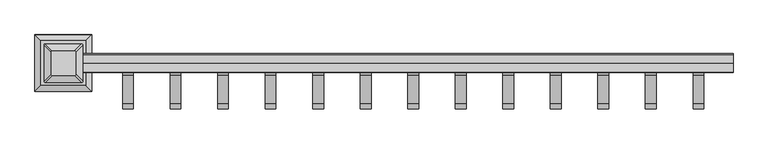
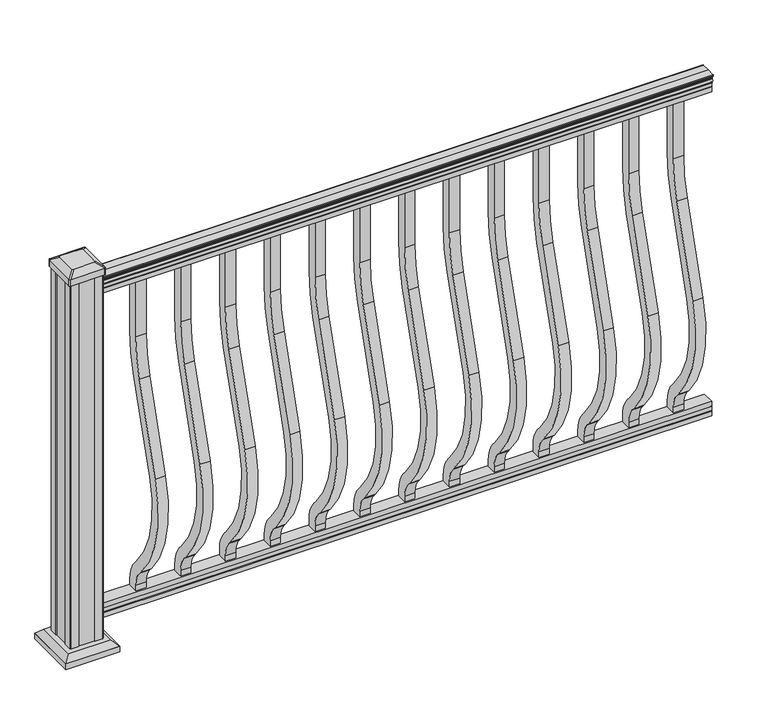
"""IFC4 building model written with IfcOpenShell, lengths in millimetres: railing geometry."""

from ifc_helpers import new_model, si_unit, point, frame, frame_2d, origin, origin_with_axes, place, context, project, spatial, polyline, circle_curve, trimmed, segment, composite_curve, outline, extrude, faceted_brep, source, transform, mapped, element, save
from ifc_brep_helpers import plane_surface, cylinder_surface, revolved_surface, extruded_surface, advanced_brep


def railing_35c34c0d(model_context):
    return source(origin(), model_context, "Body", "SolidModel", [
        advanced_brep(
        [(18368.0238122, -47460.9992427, 938.4043297), (18368.0238122, -47458.425414, 938.4043297), (18368.0238122, -47458.425414, 927.747013), (18368.0238122, -47459.441414, 926.731013), (18368.0238122, -47459.441414, 914.4), (18368.0238122, -47427.691414, 914.4), (18368.0238122, -47427.691414, 926.8888283), (18368.0238122, -47428.707414, 927.9048283), (18368.0238122, -47428.707414, 938.4043297), (18368.0238122, -47426.1335853, 938.4043297), (18368.0238122, -47426.1335853, 940.292412), (18368.0238122, -47425.003399, 941.8546695), (18368.0238122, -47425.003399, 949.0726458), (18368.0238122, -47425.6526554, 951.5060812), (18368.0238122, -47423.1526554, 955.8362083), (18368.0238122, -47421.7433129, 957.5157972), (18368.0238122, -47421.3414139, 958.6205318), (18368.0238122, -47421.341414, 959.9608158), (18368.0238122, -47422.8948612, 961.514263), (18368.0238122, -47443.566414, 961.514263), (18368.0238122, -47464.2379668, 961.514263), (18368.0238122, -47465.791414, 959.9608158), (18368.0238122, -47465.791414, 958.6205318), (18368.0238122, -47465.3895151, 957.5157972), (18368.0238122, -47463.9801726, 955.8362083), (18368.0238122, -47461.4801726, 951.5060812), (18368.0238122, -47462.129429, 949.0726458), (18368.0238122, -47462.129429, 941.8546695), (18368.0238122, -47460.9992427, 940.292412), (16844.0238122, -47460.9992427, 938.4043297), (16844.0238122, -47460.9992427, 940.292412), (16844.0238122, -47462.129429, 941.8546695), (16844.0238122, -47462.129429, 949.0726458), (16844.0238122, -47461.4801726, 951.5060812), (16844.0238122, -47463.9801726, 955.8362083), (16844.0238122, -47465.3895151, 957.5157972), (16844.0238122, -47465.7914141, 958.6205318), (16844.0238122, -47465.791414, 959.9608158), (16844.0238122, -47464.2379668, 961.514263), (16844.0238122, -47443.566414, 961.514263), (16844.0238122, -47422.8948612, 961.514263), (16844.0238122, -47421.341414, 959.9608158), (16844.0238122, -47421.341414, 958.6205318), (16844.0238122, -47421.7433129, 957.5157972), (16844.0238122, -47423.1526554, 955.8362083), (16844.0238122, -47425.6526554, 951.5060812), (16844.0238122, -47425.003399, 949.0726458), (16844.0238122, -47425.003399, 941.8546695), (16844.0238122, -47426.1335853, 940.292412), (16844.0238122, -47426.1335853, 938.4043297), (16844.0238122, -47428.707414, 938.4043297), (16844.0238122, -47428.707414, 927.9048283), (16844.0238122, -47427.691414, 926.8888283), (16844.0238122, -47427.691414, 914.4), (16844.0238122, -47459.441414, 914.4), (16844.0238122, -47459.441414, 926.731013), (16844.0238122, -47458.425414, 927.747013), (16844.0238122, -47458.425414, 938.4043297)],
        [
            (0, 1, circle_curve(frame((18368.0238122, -47459.7123284, 938.4043297), z_axis=(1.0, 0.0, 0.0), x_axis=(0.0, 1.0, 0.0)), 1.2869144)),
            (1, 2),
            (2, 3),
            (3, 4),
            (4, 5),
            (5, 6),
            (6, 7),
            (7, 8),
            (8, 9, circle_curve(frame((18368.0238122, -47427.4204996, 938.4043297), z_axis=(1.0, 0.0, 0.0), x_axis=(0.0, -1.0, 0.0)), 1.2869144)),
            (9, 10),
            (10, 11, circle_curve(frame((18368.0238122, -47432.4483386, 946.0506383), z_axis=(1.0, 0.0, 0.0), x_axis=(0.0, -1.0, 0.0)), 8.545951)),
            (11, 12, circle_curve(frame((18368.0238122, -47432.0112756, 945.4636577), z_axis=(1.0, 0.0, 0.0), x_axis=(0.0, -1.0, 0.0)), 7.882584)),
            (12, 13, circle_curve(frame((18368.0238122, -47421.4979515, 951.3112527), z_axis=(-1.0, 0.0, 0.0), x_axis=(0.0, -1.0, 0.0)), 4.1592695)),
            (13, 14, circle_curve(frame((18368.0238122, -47420.2106449, 951.2508864), z_axis=(-1.0, 0.0, 0.0), x_axis=(0.0, -1.0, 0.0)), 5.4479907)),
            (14, 15, circle_curve(frame((18368.0238122, -47421.4438033, 955.833395), z_axis=(-1.0, 0.0, 0.0), x_axis=(0.0, -1.0, 0.0)), 1.7088543)),
            (15, 16, circle_curve(frame((18368.0238122, -47423.0607034, 958.6205318), z_axis=(1.0, 0.0, 0.0), x_axis=(0.0, -1.0, 0.0)), 1.7192895)),
            (16, 17),
            (17, 18, circle_curve(frame((18368.0238122, -47422.8948612, 959.9608158), z_axis=(1.0, 0.0, 0.0), x_axis=(0.0, -1.0, 0.0)), 1.5534472)),
            (18, 19),
            (19, 20),
            (20, 21, circle_curve(frame((18368.0238122, -47464.2379668, 959.9608158), z_axis=(1.0, 0.0, 0.0), x_axis=(0.0, 1.0, 0.0)), 1.5534472)),
            (21, 22),
            (22, 23, circle_curve(frame((18368.0238122, -47464.0721246, 958.6205318), z_axis=(1.0, 0.0, 0.0), x_axis=(0.0, 1.0, 0.0)), 1.7192895)),
            (23, 24, circle_curve(frame((18368.0238122, -47465.6890247, 955.833395), z_axis=(-1.0, 0.0, 0.0), x_axis=(0.0, 1.0, 0.0)), 1.7088543)),
            (24, 25, circle_curve(frame((18368.0238122, -47466.9221831, 951.2508864), z_axis=(-1.0, 0.0, 0.0), x_axis=(0.0, 1.0, 0.0)), 5.4479907)),
            (25, 26, circle_curve(frame((18368.0238122, -47465.6348766, 951.3112527), z_axis=(-1.0, 0.0, 0.0), x_axis=(0.0, 1.0, 0.0)), 4.1592695)),
            (26, 27, circle_curve(frame((18368.0238122, -47455.1215524, 945.4636577), z_axis=(1.0, 0.0, 0.0), x_axis=(0.0, 1.0, 0.0)), 7.882584)),
            (27, 28, circle_curve(frame((18368.0238122, -47454.6844895, 946.0506383), z_axis=(1.0, 0.0, 0.0), x_axis=(0.0, 1.0, 0.0)), 8.545951)),
            (28, 0),
            (29, 30),
            (30, 31, circle_curve(frame((16844.0238122, -47454.6844895, 946.0506383), z_axis=(-1.0, 0.0, 0.0), x_axis=(0.0, 1.0, 0.0)), 8.545951)),
            (31, 32, circle_curve(frame((16844.0238122, -47455.1215524, 945.4636577), z_axis=(-1.0, 0.0, 0.0), x_axis=(0.0, 1.0, 0.0)), 7.882584)),
            (32, 33, circle_curve(frame((16844.0238122, -47465.6348766, 951.3112527), z_axis=(1.0, 0.0, 0.0), x_axis=(0.0, 1.0, 0.0)), 4.1592695)),
            (33, 34, circle_curve(frame((16844.0238122, -47466.9221831, 951.2508864), z_axis=(1.0, 0.0, 0.0), x_axis=(0.0, 1.0, 0.0)), 5.4479907)),
            (34, 35, circle_curve(frame((16844.0238122, -47465.6890247, 955.833395), z_axis=(1.0, 0.0, 0.0), x_axis=(0.0, 1.0, 0.0)), 1.7088543)),
            (35, 36, circle_curve(frame((16844.0238122, -47464.0721246, 958.6205318), z_axis=(-1.0, 0.0, 0.0), x_axis=(0.0, 1.0, 0.0)), 1.7192895)),
            (36, 37),
            (37, 38, circle_curve(frame((16844.0238122, -47464.2379668, 959.9608158), z_axis=(-1.0, 0.0, 0.0), x_axis=(0.0, 1.0, 0.0)), 1.5534472)),
            (38, 39),
            (39, 40),
            (40, 41, circle_curve(frame((16844.0238122, -47422.8948612, 959.9608158), z_axis=(-1.0, 0.0, 0.0), x_axis=(0.0, -1.0, 0.0)), 1.5534472)),
            (41, 42),
            (42, 43, circle_curve(frame((16844.0238122, -47423.0607034, 958.6205318), z_axis=(-1.0, 0.0, 0.0), x_axis=(0.0, -1.0, 0.0)), 1.7192895)),
            (43, 44, circle_curve(frame((16844.0238122, -47421.4438033, 955.833395), z_axis=(1.0, 0.0, 0.0), x_axis=(0.0, -1.0, 0.0)), 1.7088543)),
            (44, 45, circle_curve(frame((16844.0238122, -47420.2106449, 951.2508864), z_axis=(1.0, 0.0, 0.0), x_axis=(0.0, -1.0, 0.0)), 5.4479907)),
            (45, 46, circle_curve(frame((16844.0238122, -47421.4979515, 951.3112527), z_axis=(1.0, 0.0, 0.0), x_axis=(0.0, -1.0, 0.0)), 4.1592695)),
            (46, 47, circle_curve(frame((16844.0238122, -47432.0112756, 945.4636577), z_axis=(-1.0, 0.0, 0.0), x_axis=(0.0, -1.0, 0.0)), 7.882584)),
            (47, 48, circle_curve(frame((16844.0238122, -47432.4483386, 946.0506383), z_axis=(-1.0, 0.0, 0.0), x_axis=(0.0, -1.0, 0.0)), 8.545951)),
            (48, 49),
            (49, 50, circle_curve(frame((16844.0238122, -47427.4204996, 938.4043297), z_axis=(-1.0, 0.0, 0.0), x_axis=(0.0, -1.0, 0.0)), 1.2869144)),
            (50, 51),
            (51, 52),
            (52, 53),
            (53, 54),
            (54, 55),
            (55, 56),
            (56, 57),
            (57, 29, circle_curve(frame((16844.0238122, -47459.7123284, 938.4043297), z_axis=(-1.0, 0.0, 0.0), x_axis=(0.0, 1.0, 0.0)), 1.2869144)),
            (0, 29),
            (57, 1),
            (56, 2),
            (55, 3),
            (54, 4),
            (53, 5),
            (52, 6),
            (51, 7),
            (50, 8),
            (49, 9),
            (48, 10),
            (47, 11),
            (46, 12),
            (45, 13),
            (44, 14),
            (43, 15),
            (42, 16),
            (41, 17),
            (40, 18),
            (39, 19),
            (38, 20),
            (37, 21),
            (36, 22),
            (35, 23),
            (34, 24),
            (33, 25),
            (32, 26),
            (31, 27),
            (30, 28),
        ],
        [
            plane_surface(frame((18368.0238122, -47443.566414, 914.4), z_axis=(1.0, 0.0, 0.0), x_axis=(0.0, -1.0, 0.0))),
            plane_surface(frame((16844.0238122, -47443.566414, 914.4), z_axis=(-1.0, 0.0, 0.0), x_axis=(0.0, -1.0, 0.0))),
            cylinder_surface(frame((18368.0238122, -47459.7123284, 938.4043297), z_axis=(1.0, 0.0, 0.0), x_axis=(0.0, 1.0, 0.0)), 1.2869144),
            plane_surface(frame((18368.0238122, -47458.425414, 938.4043297), z_axis=(0.0, -1.0, 0.0), x_axis=(-1.0, 0.0, 0.0))),
            plane_surface(frame((18368.0238122, -47458.425414, 927.747013), z_axis=(0.0, -0.7071067811865395, 0.7071067811865556), x_axis=(-1.0, 0.0, 0.0))),
            plane_surface(frame((18368.0238122, -47459.441414, 926.731013), z_axis=(0.0, -1.0, 0.0), x_axis=(-1.0, 0.0, 0.0))),
            plane_surface(frame((18368.0238122, -47459.441414, 914.4), z_axis=(0.0, 0.0, -1.0), x_axis=(-1.0, 0.0, 0.0))),
            plane_surface(frame((18368.0238122, -47427.691414, 914.4), z_axis=(0.0, 1.0, 0.0), x_axis=(-1.0, 0.0, 0.0))),
            plane_surface(frame((18368.0238122, -47427.691414, 926.8888283), z_axis=(0.0, 0.7071067811865432, 0.707106781186552), x_axis=(-1.0, 0.0, 0.0))),
            plane_surface(frame((18368.0238122, -47428.707414, 927.9048283), z_axis=(0.0, 1.0, 0.0), x_axis=(-1.0, 0.0, 0.0))),
            cylinder_surface(frame((18368.0238122, -47427.4204996, 938.4043297), z_axis=(1.0, 0.0, 0.0), x_axis=(0.0, -1.0, 0.0)), 1.2869144),
            plane_surface(frame((18368.0238122, -47426.1335853, 938.4043297), z_axis=(0.0, 1.0, 0.0), x_axis=(-1.0, 0.0, 0.0))),
            cylinder_surface(frame((18368.0238122, -47432.4483386, 946.0506383), z_axis=(1.0, 0.0, 0.0), x_axis=(0.0, -1.0, 0.0)), 8.545951),
            cylinder_surface(frame((18368.0238122, -47432.0112756, 945.4636577), z_axis=(1.0, 0.0, 0.0), x_axis=(0.0, -1.0, 0.0)), 7.882584),
            revolved_surface(polyline([(16844.0238122, -47425.657221, 951.3112527), (18368.0238122, -47425.657221, 951.3112527)]), (18368.0238122, -47421.4979515, 951.3112527), (-1.0, 0.0, 0.0)),
            revolved_surface(polyline([(16844.0238122, -47425.6586356, 951.2508864), (18368.0238122, -47425.6586356, 951.2508864)]), (18368.0238122, -47420.2106449, 951.2508864), (-1.0, 0.0, 0.0)),
            revolved_surface(polyline([(16844.0238122, -47423.152657599996, 955.833395), (18368.0238122, -47423.152657599996, 955.833395)]), (18368.0238122, -47421.4438033, 955.833395), (-1.0, 0.0, 0.0)),
            cylinder_surface(frame((18368.0238122, -47423.0607034, 958.6205318), z_axis=(1.0, 0.0, 0.0), x_axis=(0.0, -1.0, 0.0)), 1.7192895),
            plane_surface(frame((18368.0238122, -47421.341414, 958.6205318), z_axis=(0.0, 1.0, 0.0), x_axis=(-1.0, 0.0, 0.0))),
            cylinder_surface(frame((18368.0238122, -47422.8948612, 959.9608158), z_axis=(1.0, 0.0, 0.0), x_axis=(0.0, -1.0, 0.0)), 1.5534472),
            plane_surface(frame((18368.0238122, -47422.8948612, 961.514263), z_axis=(0.0, 0.0, 1.0), x_axis=(-1.0, 0.0, 0.0))),
            plane_surface(frame((18368.0238122, -47443.566414, 961.514263), z_axis=(0.0, 0.0, 1.0), x_axis=(-1.0, 0.0, 0.0))),
            cylinder_surface(frame((18368.0238122, -47464.2379668, 959.9608158), z_axis=(1.0, 0.0, 0.0), x_axis=(0.0, 1.0, 0.0)), 1.5534472),
            plane_surface(frame((18368.0238122, -47465.791414, 959.9608158), z_axis=(0.0, -1.0, 0.0), x_axis=(-1.0, 0.0, 0.0))),
            cylinder_surface(frame((18368.0238122, -47464.0721246, 958.6205318), z_axis=(1.0, 0.0, 0.0), x_axis=(0.0, 1.0, 0.0)), 1.7192895),
            revolved_surface(polyline([(16844.0238122, -47463.9801704, 955.833395), (18368.0238122, -47463.9801704, 955.833395)]), (18368.0238122, -47465.6890247, 955.833395), (-1.0, 0.0, 0.0)),
            revolved_surface(polyline([(16844.0238122, -47461.474192400005, 951.2508864), (18368.0238122, -47461.474192400005, 951.2508864)]), (18368.0238122, -47466.9221831, 951.2508864), (-1.0, 0.0, 0.0)),
            revolved_surface(polyline([(16844.0238122, -47461.4756071, 951.3112527), (18368.0238122, -47461.4756071, 951.3112527)]), (18368.0238122, -47465.6348766, 951.3112527), (-1.0, 0.0, 0.0)),
            cylinder_surface(frame((18368.0238122, -47455.1215524, 945.4636577), z_axis=(1.0, 0.0, 0.0), x_axis=(0.0, 1.0, 0.0)), 7.882584),
            cylinder_surface(frame((18368.0238122, -47454.6844895, 946.0506383), z_axis=(1.0, 0.0, 0.0), x_axis=(0.0, 1.0, 0.0)), 8.545951),
            plane_surface(frame((18368.0238122, -47460.9992427, 940.292412), z_axis=(0.0, -1.0, 0.0), x_axis=(-1.0, 0.0, 0.0))),
        ],
        [
            (0, [[1, 2, 3, 4, 5, 6, 7, 8, 9, 10, 11, 12, 13, 14, 15, 16, 17, 18, 19, 20, 21, 22, 23, 24, 25, 26, 27, 28, 29]]),
            (1, [[30, 31, 32, 33, 34, 35, 36, 37, 38, 39, 40, 41, 42, 43, 44, 45, 46, 47, 48, 49, 50, 51, 52, 53, 54, 55, 56, 57, 58]]),
            (2, [[-1, 59, -58, 60]]),
            (3, [[-2, -60, -57, 61]]),
            (4, [[-3, -61, -56, 62]]),
            (5, [[-4, -62, -55, 63]]),
            (6, [[-5, -63, -54, 64]]),
            (7, [[-6, -64, -53, 65]]),
            (8, [[-7, -65, -52, 66]]),
            (9, [[-8, -66, -51, 67]]),
            (10, [[-9, -67, -50, 68]]),
            (11, [[-10, -68, -49, 69]]),
            (12, [[-11, -69, -48, 70]]),
            (13, [[-12, -70, -47, 71]]),
            (14, [[-13, -71, -46, 72]]),
            (15, [[-14, -72, -45, 73]]),
            (16, [[-15, -73, -44, 74]]),
            (17, [[-16, -74, -43, 75]]),
            (18, [[-17, -75, -42, 76]]),
            (19, [[-18, -76, -41, 77]]),
            (20, [[-19, -77, -40, 78]]),
            (21, [[-20, -78, -39, 79]]),
            (22, [[-21, -79, -38, 80]]),
            (23, [[-22, -80, -37, 81]]),
            (24, [[-23, -81, -36, 82]]),
            (25, [[-24, -82, -35, 83]]),
            (26, [[-25, -83, -34, 84]]),
            (27, [[-26, -84, -33, 85]]),
            (28, [[-27, -85, -32, 86]]),
            (29, [[-28, -86, -31, 87]]),
            (30, [[-29, -87, -30, -59]]),
        ],
    ),
        faceted_brep([(18368.0238122, -47459.4789009, 76.0541976), (18368.0238122, -47459.4789009, 63.5), (18368.0238122, -47427.7289009, 63.5), (18368.0238122, -47427.7289009, 76.0375508), (18368.0238122, -47428.7449009, 77.3858283), (18368.0238122, -47428.7449009, 87.6975248), (18368.0238122, -47427.7289009, 89.0458024), (18368.0238122, -47427.7289009, 101.5958781), (18368.0238122, -47459.4789009, 101.5958781), (18368.0238122, -47459.4789009, 89.0624492), (18368.0238122, -47458.4629009, 87.7141717), (18368.0238122, -47458.4629009, 77.3546183), (16844.0238122, -47459.4789009, 76.0541976), (16844.0238122, -47458.4629009, 77.3546183), (16844.0238122, -47458.4629009, 87.7141717), (16844.0238122, -47459.4789009, 89.0624492), (16844.0238122, -47459.4789009, 101.5958781), (16844.0238122, -47427.7289009, 101.5958781), (16844.0238122, -47427.7289009, 89.0458024), (16844.0238122, -47428.7449009, 87.6975248), (16844.0238122, -47428.7449009, 77.3858283), (16844.0238122, -47427.7289009, 76.0375508), (16844.0238122, -47427.7289009, 63.5), (16844.0238122, -47459.4789009, 63.5)], [[[0, 1, 2, 3, 4, 5, 6, 7, 8, 9, 10, 11]], [[12, 13, 14, 15, 16, 17, 18, 19, 20, 21, 22, 23]], [[1, 0, 12, 23]], [[2, 1, 23, 22]], [[3, 2, 22, 21]], [[4, 3, 21, 20]], [[5, 4, 20, 19]], [[6, 5, 19, 18]], [[7, 6, 18, 17]], [[8, 7, 17, 16]], [[9, 8, 16, 15]], [[10, 9, 15, 14]], [[11, 10, 14, 13]], [[0, 11, 13, 12]]]),
        extrude(outline(composite_curve([segment(trimmed(circle_curve(frame_2d((-47803.566414, 768.63216)), 372.7), [point((-47430.866414, 768.63216))], [point((-47447.1516315, 659.6652257))], False, "CARTESIAN"), True, "CONTINUOUS"), segment(polyline([(-47447.1516315, 659.6652257), (-47514.9789093, 437.8121964)]), True, "CONTINUOUS"), segment(trimmed(circle_curve(frame_2d((-47259.358648, 359.6612397)), 267.3), [point((-47514.9789093, 437.8121964))], [point((-47458.6736709, 181.5522516))], True, "CARTESIAN"), True, "CONTINUOUS"), segment(polyline([(-47458.6736709, 181.5522516), (-47453.1719976, 175.3955374)]), True, "CONTINUOUS"), segment(trimmed(circle_curve(frame_2d((-47518.566414, 116.9587313)), 87.7), [point((-47453.1719976, 175.3955374))], [point((-47430.866414, 116.9587313))], False, "CARTESIAN"), True, "CONTINUOUS"), segment(polyline([(-47430.866414, 116.9587313), (-47430.866414, 101.5958781), (-47456.266414, 101.5958781), (-47456.266414, 116.9587313)]), True, "CONTINUOUS"), segment(trimmed(circle_curve(frame_2d((-47518.566414, 116.9587313)), 62.3), [point((-47456.266414, 116.9587313))], [point((-47472.1117716, 158.4708524))], True, "CARTESIAN"), True, "CONTINUOUS"), segment(polyline([(-47472.1117716, 158.4708524), (-47477.6134448, 164.6275666)]), True, "CONTINUOUS"), segment(trimmed(circle_curve(frame_2d((-47259.358648, 359.6612397)), 292.7), [point((-47477.6134448, 164.6275666))], [point((-47539.2690501, 445.2384377))], False, "CARTESIAN"), True, "CONTINUOUS"), segment(polyline([(-47539.2690501, 445.2384377), (-47471.4417723, 667.091467)]), True, "CONTINUOUS"), segment(trimmed(circle_curve(frame_2d((-47803.566414, 768.63216)), 347.3), [point((-47471.4417723, 667.091467))], [point((-47456.266414, 768.63216))], True, "CARTESIAN"), True, "CONTINUOUS"), segment(polyline([(-47456.266414, 768.63216), (-47456.266414, 914.4), (-47430.866414, 914.4), (-47430.866414, 768.63216)]), True, "CONTINUOUS")], self_intersect=False)), frame((16940.8613122, 0.0, 0.0), z_axis=(1.0, 0.0, 0.0), x_axis=(0.0, 1.0, 0.0)), (0.0, 0.0, 1.0), 25.4),
        extrude(outline(composite_curve([segment(trimmed(circle_curve(frame_2d((-47803.566414, 768.63216)), 372.7), [point((-47430.866414, 768.63216))], [point((-47447.1516315, 659.6652257))], False, "CARTESIAN"), True, "CONTINUOUS"), segment(polyline([(-47447.1516315, 659.6652257), (-47514.9789093, 437.8121964)]), True, "CONTINUOUS"), segment(trimmed(circle_curve(frame_2d((-47259.358648, 359.6612397)), 267.3), [point((-47514.9789093, 437.8121964))], [point((-47458.6736709, 181.5522516))], True, "CARTESIAN"), True, "CONTINUOUS"), segment(polyline([(-47458.6736709, 181.5522516), (-47453.1719976, 175.3955374)]), True, "CONTINUOUS"), segment(trimmed(circle_curve(frame_2d((-47518.566414, 116.9587313)), 87.7), [point((-47453.1719976, 175.3955374))], [point((-47430.866414, 116.9587313))], False, "CARTESIAN"), True, "CONTINUOUS"), segment(polyline([(-47430.866414, 116.9587313), (-47430.866414, 101.5958781), (-47456.266414, 101.5958781), (-47456.266414, 116.9587313)]), True, "CONTINUOUS"), segment(trimmed(circle_curve(frame_2d((-47518.566414, 116.9587313)), 62.3), [point((-47456.266414, 116.9587313))], [point((-47472.1117716, 158.4708524))], True, "CARTESIAN"), True, "CONTINUOUS"), segment(polyline([(-47472.1117716, 158.4708524), (-47477.6134448, 164.6275666)]), True, "CONTINUOUS"), segment(trimmed(circle_curve(frame_2d((-47259.358648, 359.6612397)), 292.7), [point((-47477.6134448, 164.6275666))], [point((-47539.2690501, 445.2384377))], False, "CARTESIAN"), True, "CONTINUOUS"), segment(polyline([(-47539.2690501, 445.2384377), (-47471.4417723, 667.091467)]), True, "CONTINUOUS"), segment(trimmed(circle_curve(frame_2d((-47803.566414, 768.63216)), 347.3), [point((-47471.4417723, 667.091467))], [point((-47456.266414, 768.63216))], True, "CARTESIAN"), True, "CONTINUOUS"), segment(polyline([(-47456.266414, 768.63216), (-47456.266414, 914.4), (-47430.866414, 914.4), (-47430.866414, 768.63216)]), True, "CONTINUOUS")], self_intersect=False)), frame((17051.9863122, 0.0, 0.0), z_axis=(1.0, 0.0, 0.0), x_axis=(0.0, 1.0, 0.0)), (0.0, 0.0, 1.0), 25.4),
        extrude(outline(composite_curve([segment(trimmed(circle_curve(frame_2d((-47803.566414, 768.63216)), 372.7), [point((-47430.866414, 768.63216))], [point((-47447.1516315, 659.6652257))], False, "CARTESIAN"), True, "CONTINUOUS"), segment(polyline([(-47447.1516315, 659.6652257), (-47514.9789093, 437.8121964)]), True, "CONTINUOUS"), segment(trimmed(circle_curve(frame_2d((-47259.358648, 359.6612397)), 267.3), [point((-47514.9789093, 437.8121964))], [point((-47458.6736709, 181.5522516))], True, "CARTESIAN"), True, "CONTINUOUS"), segment(polyline([(-47458.6736709, 181.5522516), (-47453.1719976, 175.3955374)]), True, "CONTINUOUS"), segment(trimmed(circle_curve(frame_2d((-47518.566414, 116.9587313)), 87.7), [point((-47453.1719976, 175.3955374))], [point((-47430.866414, 116.9587313))], False, "CARTESIAN"), True, "CONTINUOUS"), segment(polyline([(-47430.866414, 116.9587313), (-47430.866414, 101.5958781), (-47456.266414, 101.5958781), (-47456.266414, 116.9587313)]), True, "CONTINUOUS"), segment(trimmed(circle_curve(frame_2d((-47518.566414, 116.9587313)), 62.3), [point((-47456.266414, 116.9587313))], [point((-47472.1117716, 158.4708524))], True, "CARTESIAN"), True, "CONTINUOUS"), segment(polyline([(-47472.1117716, 158.4708524), (-47477.6134448, 164.6275666)]), True, "CONTINUOUS"), segment(trimmed(circle_curve(frame_2d((-47259.358648, 359.6612397)), 292.7), [point((-47477.6134448, 164.6275666))], [point((-47539.2690501, 445.2384377))], False, "CARTESIAN"), True, "CONTINUOUS"), segment(polyline([(-47539.2690501, 445.2384377), (-47471.4417723, 667.091467)]), True, "CONTINUOUS"), segment(trimmed(circle_curve(frame_2d((-47803.566414, 768.63216)), 347.3), [point((-47471.4417723, 667.091467))], [point((-47456.266414, 768.63216))], True, "CARTESIAN"), True, "CONTINUOUS"), segment(polyline([(-47456.266414, 768.63216), (-47456.266414, 914.4), (-47430.866414, 914.4), (-47430.866414, 768.63216)]), True, "CONTINUOUS")], self_intersect=False)), frame((17163.1113122, 0.0, 0.0), z_axis=(1.0, 0.0, 0.0), x_axis=(0.0, 1.0, 0.0)), (0.0, 0.0, 1.0), 25.4),
        extrude(outline(composite_curve([segment(trimmed(circle_curve(frame_2d((-47803.566414, 768.63216)), 372.7), [point((-47430.866414, 768.63216))], [point((-47447.1516315, 659.6652257))], False, "CARTESIAN"), True, "CONTINUOUS"), segment(polyline([(-47447.1516315, 659.6652257), (-47514.9789093, 437.8121964)]), True, "CONTINUOUS"), segment(trimmed(circle_curve(frame_2d((-47259.358648, 359.6612397)), 267.3), [point((-47514.9789093, 437.8121964))], [point((-47458.6736709, 181.5522516))], True, "CARTESIAN"), True, "CONTINUOUS"), segment(polyline([(-47458.6736709, 181.5522516), (-47453.1719976, 175.3955374)]), True, "CONTINUOUS"), segment(trimmed(circle_curve(frame_2d((-47518.566414, 116.9587313)), 87.7), [point((-47453.1719976, 175.3955374))], [point((-47430.866414, 116.9587313))], False, "CARTESIAN"), True, "CONTINUOUS"), segment(polyline([(-47430.866414, 116.9587313), (-47430.866414, 101.5958781), (-47456.266414, 101.5958781), (-47456.266414, 116.9587313)]), True, "CONTINUOUS"), segment(trimmed(circle_curve(frame_2d((-47518.566414, 116.9587313)), 62.3), [point((-47456.266414, 116.9587313))], [point((-47472.1117716, 158.4708524))], True, "CARTESIAN"), True, "CONTINUOUS"), segment(polyline([(-47472.1117716, 158.4708524), (-47477.6134448, 164.6275666)]), True, "CONTINUOUS"), segment(trimmed(circle_curve(frame_2d((-47259.358648, 359.6612397)), 292.7), [point((-47477.6134448, 164.6275666))], [point((-47539.2690501, 445.2384377))], False, "CARTESIAN"), True, "CONTINUOUS"), segment(polyline([(-47539.2690501, 445.2384377), (-47471.4417723, 667.091467)]), True, "CONTINUOUS"), segment(trimmed(circle_curve(frame_2d((-47803.566414, 768.63216)), 347.3), [point((-47471.4417723, 667.091467))], [point((-47456.266414, 768.63216))], True, "CARTESIAN"), True, "CONTINUOUS"), segment(polyline([(-47456.266414, 768.63216), (-47456.266414, 914.4), (-47430.866414, 914.4), (-47430.866414, 768.63216)]), True, "CONTINUOUS")], self_intersect=False)), frame((17274.2363122, 0.0, 0.0), z_axis=(1.0, 0.0, 0.0), x_axis=(0.0, 1.0, 0.0)), (0.0, 0.0, 1.0), 25.4),
        extrude(outline(composite_curve([segment(trimmed(circle_curve(frame_2d((-47803.566414, 768.63216)), 372.7), [point((-47430.866414, 768.63216))], [point((-47447.1516315, 659.6652257))], False, "CARTESIAN"), True, "CONTINUOUS"), segment(polyline([(-47447.1516315, 659.6652257), (-47514.9789093, 437.8121964)]), True, "CONTINUOUS"), segment(trimmed(circle_curve(frame_2d((-47259.358648, 359.6612397)), 267.3), [point((-47514.9789093, 437.8121964))], [point((-47458.6736709, 181.5522516))], True, "CARTESIAN"), True, "CONTINUOUS"), segment(polyline([(-47458.6736709, 181.5522516), (-47453.1719976, 175.3955374)]), True, "CONTINUOUS"), segment(trimmed(circle_curve(frame_2d((-47518.566414, 116.9587313)), 87.7), [point((-47453.1719976, 175.3955374))], [point((-47430.866414, 116.9587313))], False, "CARTESIAN"), True, "CONTINUOUS"), segment(polyline([(-47430.866414, 116.9587313), (-47430.866414, 101.5958781), (-47456.266414, 101.5958781), (-47456.266414, 116.9587313)]), True, "CONTINUOUS"), segment(trimmed(circle_curve(frame_2d((-47518.566414, 116.9587313)), 62.3), [point((-47456.266414, 116.9587313))], [point((-47472.1117716, 158.4708524))], True, "CARTESIAN"), True, "CONTINUOUS"), segment(polyline([(-47472.1117716, 158.4708524), (-47477.6134448, 164.6275666)]), True, "CONTINUOUS"), segment(trimmed(circle_curve(frame_2d((-47259.358648, 359.6612397)), 292.7), [point((-47477.6134448, 164.6275666))], [point((-47539.2690501, 445.2384377))], False, "CARTESIAN"), True, "CONTINUOUS"), segment(polyline([(-47539.2690501, 445.2384377), (-47471.4417723, 667.091467)]), True, "CONTINUOUS"), segment(trimmed(circle_curve(frame_2d((-47803.566414, 768.63216)), 347.3), [point((-47471.4417723, 667.091467))], [point((-47456.266414, 768.63216))], True, "CARTESIAN"), True, "CONTINUOUS"), segment(polyline([(-47456.266414, 768.63216), (-47456.266414, 914.4), (-47430.866414, 914.4), (-47430.866414, 768.63216)]), True, "CONTINUOUS")], self_intersect=False)), frame((17385.3613122, 0.0, 0.0), z_axis=(1.0, 0.0, 0.0), x_axis=(0.0, 1.0, 0.0)), (0.0, 0.0, 1.0), 25.4),
        extrude(outline(composite_curve([segment(trimmed(circle_curve(frame_2d((-47803.566414, 768.63216)), 372.7), [point((-47430.866414, 768.63216))], [point((-47447.1516315, 659.6652257))], False, "CARTESIAN"), True, "CONTINUOUS"), segment(polyline([(-47447.1516315, 659.6652257), (-47514.9789093, 437.8121964)]), True, "CONTINUOUS"), segment(trimmed(circle_curve(frame_2d((-47259.358648, 359.6612397)), 267.3), [point((-47514.9789093, 437.8121964))], [point((-47458.6736709, 181.5522516))], True, "CARTESIAN"), True, "CONTINUOUS"), segment(polyline([(-47458.6736709, 181.5522516), (-47453.1719976, 175.3955374)]), True, "CONTINUOUS"), segment(trimmed(circle_curve(frame_2d((-47518.566414, 116.9587313)), 87.7), [point((-47453.1719976, 175.3955374))], [point((-47430.866414, 116.9587313))], False, "CARTESIAN"), True, "CONTINUOUS"), segment(polyline([(-47430.866414, 116.9587313), (-47430.866414, 101.5958781), (-47456.266414, 101.5958781), (-47456.266414, 116.9587313)]), True, "CONTINUOUS"), segment(trimmed(circle_curve(frame_2d((-47518.566414, 116.9587313)), 62.3), [point((-47456.266414, 116.9587313))], [point((-47472.1117716, 158.4708524))], True, "CARTESIAN"), True, "CONTINUOUS"), segment(polyline([(-47472.1117716, 158.4708524), (-47477.6134448, 164.6275666)]), True, "CONTINUOUS"), segment(trimmed(circle_curve(frame_2d((-47259.358648, 359.6612397)), 292.7), [point((-47477.6134448, 164.6275666))], [point((-47539.2690501, 445.2384377))], False, "CARTESIAN"), True, "CONTINUOUS"), segment(polyline([(-47539.2690501, 445.2384377), (-47471.4417723, 667.091467)]), True, "CONTINUOUS"), segment(trimmed(circle_curve(frame_2d((-47803.566414, 768.63216)), 347.3), [point((-47471.4417723, 667.091467))], [point((-47456.266414, 768.63216))], True, "CARTESIAN"), True, "CONTINUOUS"), segment(polyline([(-47456.266414, 768.63216), (-47456.266414, 914.4), (-47430.866414, 914.4), (-47430.866414, 768.63216)]), True, "CONTINUOUS")], self_intersect=False)), frame((17496.4863122, 0.0, 0.0), z_axis=(1.0, 0.0, 0.0), x_axis=(0.0, 1.0, 0.0)), (0.0, 0.0, 1.0), 25.4),
        extrude(outline(composite_curve([segment(trimmed(circle_curve(frame_2d((-47803.566414, 768.63216)), 372.7), [point((-47430.866414, 768.63216))], [point((-47447.1516315, 659.6652257))], False, "CARTESIAN"), True, "CONTINUOUS"), segment(polyline([(-47447.1516315, 659.6652257), (-47514.9789093, 437.8121964)]), True, "CONTINUOUS"), segment(trimmed(circle_curve(frame_2d((-47259.358648, 359.6612397)), 267.3), [point((-47514.9789093, 437.8121964))], [point((-47458.6736709, 181.5522516))], True, "CARTESIAN"), True, "CONTINUOUS"), segment(polyline([(-47458.6736709, 181.5522516), (-47453.1719976, 175.3955374)]), True, "CONTINUOUS"), segment(trimmed(circle_curve(frame_2d((-47518.566414, 116.9587313)), 87.7), [point((-47453.1719976, 175.3955374))], [point((-47430.866414, 116.9587313))], False, "CARTESIAN"), True, "CONTINUOUS"), segment(polyline([(-47430.866414, 116.9587313), (-47430.866414, 101.5958781), (-47456.266414, 101.5958781), (-47456.266414, 116.9587313)]), True, "CONTINUOUS"), segment(trimmed(circle_curve(frame_2d((-47518.566414, 116.9587313)), 62.3), [point((-47456.266414, 116.9587313))], [point((-47472.1117716, 158.4708524))], True, "CARTESIAN"), True, "CONTINUOUS"), segment(polyline([(-47472.1117716, 158.4708524), (-47477.6134448, 164.6275666)]), True, "CONTINUOUS"), segment(trimmed(circle_curve(frame_2d((-47259.358648, 359.6612397)), 292.7), [point((-47477.6134448, 164.6275666))], [point((-47539.2690501, 445.2384377))], False, "CARTESIAN"), True, "CONTINUOUS"), segment(polyline([(-47539.2690501, 445.2384377), (-47471.4417723, 667.091467)]), True, "CONTINUOUS"), segment(trimmed(circle_curve(frame_2d((-47803.566414, 768.63216)), 347.3), [point((-47471.4417723, 667.091467))], [point((-47456.266414, 768.63216))], True, "CARTESIAN"), True, "CONTINUOUS"), segment(polyline([(-47456.266414, 768.63216), (-47456.266414, 914.4), (-47430.866414, 914.4), (-47430.866414, 768.63216)]), True, "CONTINUOUS")], self_intersect=False)), frame((17607.6113122, 0.0, 0.0), z_axis=(1.0, 0.0, 0.0), x_axis=(0.0, 1.0, 0.0)), (0.0, 0.0, 1.0), 25.4),
        extrude(outline(composite_curve([segment(trimmed(circle_curve(frame_2d((-47803.566414, 768.63216)), 372.7), [point((-47430.866414, 768.63216))], [point((-47447.1516315, 659.6652257))], False, "CARTESIAN"), True, "CONTINUOUS"), segment(polyline([(-47447.1516315, 659.6652257), (-47514.9789093, 437.8121964)]), True, "CONTINUOUS"), segment(trimmed(circle_curve(frame_2d((-47259.358648, 359.6612397)), 267.3), [point((-47514.9789093, 437.8121964))], [point((-47458.6736709, 181.5522516))], True, "CARTESIAN"), True, "CONTINUOUS"), segment(polyline([(-47458.6736709, 181.5522516), (-47453.1719976, 175.3955374)]), True, "CONTINUOUS"), segment(trimmed(circle_curve(frame_2d((-47518.566414, 116.9587313)), 87.7), [point((-47453.1719976, 175.3955374))], [point((-47430.866414, 116.9587313))], False, "CARTESIAN"), True, "CONTINUOUS"), segment(polyline([(-47430.866414, 116.9587313), (-47430.866414, 101.5958781), (-47456.266414, 101.5958781), (-47456.266414, 116.9587313)]), True, "CONTINUOUS"), segment(trimmed(circle_curve(frame_2d((-47518.566414, 116.9587313)), 62.3), [point((-47456.266414, 116.9587313))], [point((-47472.1117716, 158.4708524))], True, "CARTESIAN"), True, "CONTINUOUS"), segment(polyline([(-47472.1117716, 158.4708524), (-47477.6134448, 164.6275666)]), True, "CONTINUOUS"), segment(trimmed(circle_curve(frame_2d((-47259.358648, 359.6612397)), 292.7), [point((-47477.6134448, 164.6275666))], [point((-47539.2690501, 445.2384377))], False, "CARTESIAN"), True, "CONTINUOUS"), segment(polyline([(-47539.2690501, 445.2384377), (-47471.4417723, 667.091467)]), True, "CONTINUOUS"), segment(trimmed(circle_curve(frame_2d((-47803.566414, 768.63216)), 347.3), [point((-47471.4417723, 667.091467))], [point((-47456.266414, 768.63216))], True, "CARTESIAN"), True, "CONTINUOUS"), segment(polyline([(-47456.266414, 768.63216), (-47456.266414, 914.4), (-47430.866414, 914.4), (-47430.866414, 768.63216)]), True, "CONTINUOUS")], self_intersect=False)), frame((17718.7363122, 0.0, 0.0), z_axis=(1.0, 0.0, 0.0), x_axis=(0.0, 1.0, 0.0)), (0.0, 0.0, 1.0), 25.4),
        extrude(outline(composite_curve([segment(trimmed(circle_curve(frame_2d((-47803.566414, 768.63216)), 372.7), [point((-47430.866414, 768.63216))], [point((-47447.1516315, 659.6652257))], False, "CARTESIAN"), True, "CONTINUOUS"), segment(polyline([(-47447.1516315, 659.6652257), (-47514.9789093, 437.8121964)]), True, "CONTINUOUS"), segment(trimmed(circle_curve(frame_2d((-47259.358648, 359.6612397)), 267.3), [point((-47514.9789093, 437.8121964))], [point((-47458.6736709, 181.5522516))], True, "CARTESIAN"), True, "CONTINUOUS"), segment(polyline([(-47458.6736709, 181.5522516), (-47453.1719976, 175.3955374)]), True, "CONTINUOUS"), segment(trimmed(circle_curve(frame_2d((-47518.566414, 116.9587313)), 87.7), [point((-47453.1719976, 175.3955374))], [point((-47430.866414, 116.9587313))], False, "CARTESIAN"), True, "CONTINUOUS"), segment(polyline([(-47430.866414, 116.9587313), (-47430.866414, 101.5958781), (-47456.266414, 101.5958781), (-47456.266414, 116.9587313)]), True, "CONTINUOUS"), segment(trimmed(circle_curve(frame_2d((-47518.566414, 116.9587313)), 62.3), [point((-47456.266414, 116.9587313))], [point((-47472.1117716, 158.4708524))], True, "CARTESIAN"), True, "CONTINUOUS"), segment(polyline([(-47472.1117716, 158.4708524), (-47477.6134448, 164.6275666)]), True, "CONTINUOUS"), segment(trimmed(circle_curve(frame_2d((-47259.358648, 359.6612397)), 292.7), [point((-47477.6134448, 164.6275666))], [point((-47539.2690501, 445.2384377))], False, "CARTESIAN"), True, "CONTINUOUS"), segment(polyline([(-47539.2690501, 445.2384377), (-47471.4417723, 667.091467)]), True, "CONTINUOUS"), segment(trimmed(circle_curve(frame_2d((-47803.566414, 768.63216)), 347.3), [point((-47471.4417723, 667.091467))], [point((-47456.266414, 768.63216))], True, "CARTESIAN"), True, "CONTINUOUS"), segment(polyline([(-47456.266414, 768.63216), (-47456.266414, 914.4), (-47430.866414, 914.4), (-47430.866414, 768.63216)]), True, "CONTINUOUS")], self_intersect=False)), frame((17829.8613122, 0.0, 0.0), z_axis=(1.0, 0.0, 0.0), x_axis=(0.0, 1.0, 0.0)), (0.0, 0.0, 1.0), 25.4),
        extrude(outline(composite_curve([segment(trimmed(circle_curve(frame_2d((-47803.566414, 768.63216)), 372.7), [point((-47430.866414, 768.63216))], [point((-47447.1516315, 659.6652257))], False, "CARTESIAN"), True, "CONTINUOUS"), segment(polyline([(-47447.1516315, 659.6652257), (-47514.9789093, 437.8121964)]), True, "CONTINUOUS"), segment(trimmed(circle_curve(frame_2d((-47259.358648, 359.6612397)), 267.3), [point((-47514.9789093, 437.8121964))], [point((-47458.6736709, 181.5522516))], True, "CARTESIAN"), True, "CONTINUOUS"), segment(polyline([(-47458.6736709, 181.5522516), (-47453.1719976, 175.3955374)]), True, "CONTINUOUS"), segment(trimmed(circle_curve(frame_2d((-47518.566414, 116.9587313)), 87.7), [point((-47453.1719976, 175.3955374))], [point((-47430.866414, 116.9587313))], False, "CARTESIAN"), True, "CONTINUOUS"), segment(polyline([(-47430.866414, 116.9587313), (-47430.866414, 101.5958781), (-47456.266414, 101.5958781), (-47456.266414, 116.9587313)]), True, "CONTINUOUS"), segment(trimmed(circle_curve(frame_2d((-47518.566414, 116.9587313)), 62.3), [point((-47456.266414, 116.9587313))], [point((-47472.1117716, 158.4708524))], True, "CARTESIAN"), True, "CONTINUOUS"), segment(polyline([(-47472.1117716, 158.4708524), (-47477.6134448, 164.6275666)]), True, "CONTINUOUS"), segment(trimmed(circle_curve(frame_2d((-47259.358648, 359.6612397)), 292.7), [point((-47477.6134448, 164.6275666))], [point((-47539.2690501, 445.2384377))], False, "CARTESIAN"), True, "CONTINUOUS"), segment(polyline([(-47539.2690501, 445.2384377), (-47471.4417723, 667.091467)]), True, "CONTINUOUS"), segment(trimmed(circle_curve(frame_2d((-47803.566414, 768.63216)), 347.3), [point((-47471.4417723, 667.091467))], [point((-47456.266414, 768.63216))], True, "CARTESIAN"), True, "CONTINUOUS"), segment(polyline([(-47456.266414, 768.63216), (-47456.266414, 914.4), (-47430.866414, 914.4), (-47430.866414, 768.63216)]), True, "CONTINUOUS")], self_intersect=False)), frame((17940.9863122, 0.0, 0.0), z_axis=(1.0, 0.0, 0.0), x_axis=(0.0, 1.0, 0.0)), (0.0, 0.0, 1.0), 25.4),
        extrude(outline(composite_curve([segment(trimmed(circle_curve(frame_2d((-47803.566414, 768.63216)), 372.7), [point((-47430.866414, 768.63216))], [point((-47447.1516315, 659.6652257))], False, "CARTESIAN"), True, "CONTINUOUS"), segment(polyline([(-47447.1516315, 659.6652257), (-47514.9789093, 437.8121964)]), True, "CONTINUOUS"), segment(trimmed(circle_curve(frame_2d((-47259.358648, 359.6612397)), 267.3), [point((-47514.9789093, 437.8121964))], [point((-47458.6736709, 181.5522516))], True, "CARTESIAN"), True, "CONTINUOUS"), segment(polyline([(-47458.6736709, 181.5522516), (-47453.1719976, 175.3955374)]), True, "CONTINUOUS"), segment(trimmed(circle_curve(frame_2d((-47518.566414, 116.9587313)), 87.7), [point((-47453.1719976, 175.3955374))], [point((-47430.866414, 116.9587313))], False, "CARTESIAN"), True, "CONTINUOUS"), segment(polyline([(-47430.866414, 116.9587313), (-47430.866414, 101.5958781), (-47456.266414, 101.5958781), (-47456.266414, 116.9587313)]), True, "CONTINUOUS"), segment(trimmed(circle_curve(frame_2d((-47518.566414, 116.9587313)), 62.3), [point((-47456.266414, 116.9587313))], [point((-47472.1117716, 158.4708524))], True, "CARTESIAN"), True, "CONTINUOUS"), segment(polyline([(-47472.1117716, 158.4708524), (-47477.6134448, 164.6275666)]), True, "CONTINUOUS"), segment(trimmed(circle_curve(frame_2d((-47259.358648, 359.6612397)), 292.7), [point((-47477.6134448, 164.6275666))], [point((-47539.2690501, 445.2384377))], False, "CARTESIAN"), True, "CONTINUOUS"), segment(polyline([(-47539.2690501, 445.2384377), (-47471.4417723, 667.091467)]), True, "CONTINUOUS"), segment(trimmed(circle_curve(frame_2d((-47803.566414, 768.63216)), 347.3), [point((-47471.4417723, 667.091467))], [point((-47456.266414, 768.63216))], True, "CARTESIAN"), True, "CONTINUOUS"), segment(polyline([(-47456.266414, 768.63216), (-47456.266414, 914.4), (-47430.866414, 914.4), (-47430.866414, 768.63216)]), True, "CONTINUOUS")], self_intersect=False)), frame((18052.1113122, 0.0, 0.0), z_axis=(1.0, 0.0, 0.0), x_axis=(0.0, 1.0, 0.0)), (0.0, 0.0, 1.0), 25.4),
        extrude(outline(composite_curve([segment(trimmed(circle_curve(frame_2d((-47803.566414, 768.63216)), 372.7), [point((-47430.866414, 768.63216))], [point((-47447.1516315, 659.6652257))], False, "CARTESIAN"), True, "CONTINUOUS"), segment(polyline([(-47447.1516315, 659.6652257), (-47514.9789093, 437.8121964)]), True, "CONTINUOUS"), segment(trimmed(circle_curve(frame_2d((-47259.358648, 359.6612397)), 267.3), [point((-47514.9789093, 437.8121964))], [point((-47458.6736709, 181.5522516))], True, "CARTESIAN"), True, "CONTINUOUS"), segment(polyline([(-47458.6736709, 181.5522516), (-47453.1719976, 175.3955374)]), True, "CONTINUOUS"), segment(trimmed(circle_curve(frame_2d((-47518.566414, 116.9587313)), 87.7), [point((-47453.1719976, 175.3955374))], [point((-47430.866414, 116.9587313))], False, "CARTESIAN"), True, "CONTINUOUS"), segment(polyline([(-47430.866414, 116.9587313), (-47430.866414, 101.5958781), (-47456.266414, 101.5958781), (-47456.266414, 116.9587313)]), True, "CONTINUOUS"), segment(trimmed(circle_curve(frame_2d((-47518.566414, 116.9587313)), 62.3), [point((-47456.266414, 116.9587313))], [point((-47472.1117716, 158.4708524))], True, "CARTESIAN"), True, "CONTINUOUS"), segment(polyline([(-47472.1117716, 158.4708524), (-47477.6134448, 164.6275666)]), True, "CONTINUOUS"), segment(trimmed(circle_curve(frame_2d((-47259.358648, 359.6612397)), 292.7), [point((-47477.6134448, 164.6275666))], [point((-47539.2690501, 445.2384377))], False, "CARTESIAN"), True, "CONTINUOUS"), segment(polyline([(-47539.2690501, 445.2384377), (-47471.4417723, 667.091467)]), True, "CONTINUOUS"), segment(trimmed(circle_curve(frame_2d((-47803.566414, 768.63216)), 347.3), [point((-47471.4417723, 667.091467))], [point((-47456.266414, 768.63216))], True, "CARTESIAN"), True, "CONTINUOUS"), segment(polyline([(-47456.266414, 768.63216), (-47456.266414, 914.4), (-47430.866414, 914.4), (-47430.866414, 768.63216)]), True, "CONTINUOUS")], self_intersect=False)), frame((18163.2363122, 0.0, 0.0), z_axis=(1.0, 0.0, 0.0), x_axis=(0.0, 1.0, 0.0)), (0.0, 0.0, 1.0), 25.4),
        extrude(outline(composite_curve([segment(trimmed(circle_curve(frame_2d((-47803.566414, 768.63216)), 372.7), [point((-47430.866414, 768.63216))], [point((-47447.1516315, 659.6652257))], False, "CARTESIAN"), True, "CONTINUOUS"), segment(polyline([(-47447.1516315, 659.6652257), (-47514.9789093, 437.8121964)]), True, "CONTINUOUS"), segment(trimmed(circle_curve(frame_2d((-47259.358648, 359.6612397)), 267.3), [point((-47514.9789093, 437.8121964))], [point((-47458.6736709, 181.5522516))], True, "CARTESIAN"), True, "CONTINUOUS"), segment(polyline([(-47458.6736709, 181.5522516), (-47453.1719976, 175.3955374)]), True, "CONTINUOUS"), segment(trimmed(circle_curve(frame_2d((-47518.566414, 116.9587313)), 87.7), [point((-47453.1719976, 175.3955374))], [point((-47430.866414, 116.9587313))], False, "CARTESIAN"), True, "CONTINUOUS"), segment(polyline([(-47430.866414, 116.9587313), (-47430.866414, 101.5958781), (-47456.266414, 101.5958781), (-47456.266414, 116.9587313)]), True, "CONTINUOUS"), segment(trimmed(circle_curve(frame_2d((-47518.566414, 116.9587313)), 62.3), [point((-47456.266414, 116.9587313))], [point((-47472.1117716, 158.4708524))], True, "CARTESIAN"), True, "CONTINUOUS"), segment(polyline([(-47472.1117716, 158.4708524), (-47477.6134448, 164.6275666)]), True, "CONTINUOUS"), segment(trimmed(circle_curve(frame_2d((-47259.358648, 359.6612397)), 292.7), [point((-47477.6134448, 164.6275666))], [point((-47539.2690501, 445.2384377))], False, "CARTESIAN"), True, "CONTINUOUS"), segment(polyline([(-47539.2690501, 445.2384377), (-47471.4417723, 667.091467)]), True, "CONTINUOUS"), segment(trimmed(circle_curve(frame_2d((-47803.566414, 768.63216)), 347.3), [point((-47471.4417723, 667.091467))], [point((-47456.266414, 768.63216))], True, "CARTESIAN"), True, "CONTINUOUS"), segment(polyline([(-47456.266414, 768.63216), (-47456.266414, 914.4), (-47430.866414, 914.4), (-47430.866414, 768.63216)]), True, "CONTINUOUS")], self_intersect=False)), frame((18274.3613122, 0.0, 0.0), z_axis=(1.0, 0.0, 0.0), x_axis=(0.0, 1.0, 0.0)), (0.0, 0.0, 1.0), 25.4),
        faceted_brep([(16855.3347497, -47496.1523515, 28.575), (16855.3347497, -47390.9804765, 28.575), (16750.1628747, -47390.9804765, 28.575), (16750.1628747, -47496.1523515, 28.575), (16869.3742028, -47510.1918046, 15.24), (16736.1234216, -47510.1918046, 15.24), (16736.1234216, -47376.9410234, 15.24), (16869.3742028, -47376.9410234, 15.24)], [[[0, 1, 2, 3]], [[4, 5, 6, 7]], [[4, 7, 1, 0]], [[7, 6, 2, 1]], [[6, 5, 3, 2]], [[5, 4, 0, 3]]]),
        extrude(outline(polyline([(16869.3742028, -47510.1918046), (16736.1234216, -47510.1918046), (16736.1234216, -47376.9410234), (16869.3742028, -47376.9410234), (16869.3742028, -47510.1918046)])), origin_with_axes(), (0.0, 0.0, 1.0), 15.24),
        advanced_brep(
        [(16831.7206872, -47417.769539, 1012.825), (16828.5456872, -47414.594539, 1012.825), (16776.9519372, -47414.594539, 1012.825), (16773.7769372, -47417.769539, 1012.825), (16773.7769372, -47469.363289, 1012.825), (16776.9519372, -47472.538289, 1012.825), (16828.5456872, -47472.538289, 1012.825), (16831.7206872, -47469.363289, 1012.825), (16847.9925622, -47401.497664, 1001.522), (16847.9925622, -47485.635164, 1001.522), (16844.8175622, -47488.810164, 1001.522), (16760.6800622, -47488.810164, 1001.522), (16757.5050622, -47485.635164, 1001.522), (16757.5050622, -47401.497664, 1001.522), (16760.6800622, -47398.322664, 1001.522), (16844.8175622, -47398.322664, 1001.522)],
        [
            (0, 1, circle_curve(frame((16828.5456872, -47417.769539, 1012.825), z_axis=(0.0, 0.0, 1.0), x_axis=(-1.0, 0.0, 0.0)), 3.175)),
            (1, 2),
            (2, 3, circle_curve(frame((16776.9519372, -47417.769539, 1012.825), z_axis=(0.0, 0.0, 1.0), x_axis=(-1.0, 0.0, 0.0)), 3.175)),
            (3, 4),
            (4, 5, circle_curve(frame((16776.9519372, -47469.363289, 1012.825), z_axis=(0.0, 0.0, 1.0), x_axis=(-1.0, 0.0, 0.0)), 3.175)),
            (5, 6),
            (6, 7, circle_curve(frame((16828.5456872, -47469.363289, 1012.825), z_axis=(0.0, 0.0, 1.0), x_axis=(-1.0, 0.0, 0.0)), 3.175)),
            (7, 0),
            (8, 9),
            (9, 10, circle_curve(frame((16844.8175622, -47485.635164, 1001.522), z_axis=(0.0, 0.0, -1.0), x_axis=(-1.0, 0.0, 0.0)), 3.175)),
            (10, 11),
            (11, 12, circle_curve(frame((16760.6800622, -47485.635164, 1001.522), z_axis=(0.0, 0.0, -1.0), x_axis=(-1.0, 0.0, 0.0)), 3.175)),
            (12, 13),
            (13, 14, circle_curve(frame((16760.6800622, -47401.497664, 1001.522), z_axis=(0.0, 0.0, -1.0), x_axis=(-1.0, 0.0, 0.0)), 3.175)),
            (14, 15),
            (15, 8, circle_curve(frame((16844.8175622, -47401.497664, 1001.522), z_axis=(0.0, 0.0, -1.0), x_axis=(-1.0, 0.0, 0.0)), 3.175)),
            (15, 1),
            (0, 8),
            (14, 2),
            (13, 3),
            (12, 4),
            (11, 5),
            (10, 6),
            (9, 7),
        ],
        [
            plane_surface(frame((16802.7488122, -47443.566414, 1012.825), z_axis=(0.0, 0.0, 1.0), x_axis=(0.0, 1.0, 0.0))),
            plane_surface(frame((16802.7488122, -47443.566414, 1001.522), z_axis=(0.0, 0.0, -1.0), x_axis=(0.0, 1.0, 0.0))),
            extruded_surface(trimmed(circle_curve(frame((16844.8175622, -47401.497664, 1001.522), z_axis=(0.0, 0.0, 1.0), x_axis=(-1.0, 0.0, 0.0)), 3.175), [point((16847.9925622, -47401.497664, 1001.522))], [point((16844.8175622, -47398.322664, 1001.522))], True, "CARTESIAN"), (-16.271875000002183, -16.271874999998545, 11.302999999999997), 25.63797263886662),
            plane_surface(frame((16802.7488122, -47398.322664, 1001.522), z_axis=(0.0, 0.5705009161540779, 0.8212969649690408), x_axis=(-1.0, 0.0, 0.0))),
            extruded_surface(trimmed(circle_curve(frame((16760.6800622, -47401.497664, 1001.522), z_axis=(0.0, 0.0, 1.0), x_axis=(-1.0, 0.0, 0.0)), 3.175), [point((16760.6800622, -47398.322664, 1001.522))], [point((16757.5050622, -47401.497664, 1001.522))], True, "CARTESIAN"), (16.271874999998545, -16.271874999998545, 11.302999999999997), 25.637972638864316),
            plane_surface(frame((16757.5050622, -47443.566414, 1001.522), z_axis=(-0.5705009161540291, 0.0, 0.8212969649690747), x_axis=(0.0, -1.0, 0.0))),
            extruded_surface(trimmed(circle_curve(frame((16760.6800622, -47485.635164, 1001.522), z_axis=(0.0, 0.0, 1.0), x_axis=(-1.0, 0.0, 0.0)), 3.175), [point((16757.5050622, -47485.635164, 1001.522))], [point((16760.6800622, -47488.810164, 1001.522))], True, "CARTESIAN"), (16.271874999998545, 16.271874999998545, 11.302999999999997), 25.637972638864316),
            plane_surface(frame((16802.7488122, -47488.810164, 1001.522), z_axis=(0.0, -0.5705009161540141, 0.8212969649690851), x_axis=(1.0, 0.0, 0.0))),
            extruded_surface(trimmed(circle_curve(frame((16844.8175622, -47485.635164, 1001.522), z_axis=(0.0, 0.0, 1.0), x_axis=(-1.0, 0.0, 0.0)), 3.175), [point((16844.8175622, -47488.810164, 1001.522))], [point((16847.9925622, -47485.635164, 1001.522))], True, "CARTESIAN"), (-16.271875000002183, 16.271874999998545, 11.302999999999997), 25.63797263886662),
            plane_surface(frame((16847.9925622, -47443.566414, 1001.522), z_axis=(0.570500916154034, 0.0, 0.8212969649690713), x_axis=(0.0, 1.0, 0.0))),
        ],
        [
            (0, [[1, 2, 3, 4, 5, 6, 7, 8]]),
            (1, [[9, 10, 11, 12, 13, 14, 15, 16]]),
            (2, [[-16, 17, -1, 18]]),
            (3, [[-15, 19, -2, -17]]),
            (4, [[-14, 20, -3, -19]]),
            (5, [[-13, 21, -4, -20]]),
            (6, [[-12, 22, -5, -21]]),
            (7, [[-11, 23, -6, -22]]),
            (8, [[-10, 24, -7, -23]]),
            (9, [[-9, -18, -8, -24]]),
        ],
    ),
        extrude(outline(composite_curve([segment(polyline([(16847.9925622, -47401.497664), (16847.9925622, -47485.635164)]), True, "CONTINUOUS"), segment(trimmed(circle_curve(frame_2d((16844.8175622, -47485.635164)), 3.175), [point((16847.9925622, -47485.635164))], [point((16844.8175622, -47488.810164))], False, "CARTESIAN"), True, "CONTINUOUS"), segment(polyline([(16844.8175622, -47488.810164), (16760.6800622, -47488.810164)]), True, "CONTINUOUS"), segment(trimmed(circle_curve(frame_2d((16760.6800622, -47485.635164)), 3.175), [point((16760.6800622, -47488.810164))], [point((16757.5050622, -47485.635164))], False, "CARTESIAN"), True, "CONTINUOUS"), segment(polyline([(16757.5050622, -47485.635164), (16757.5050622, -47401.497664)]), True, "CONTINUOUS"), segment(trimmed(circle_curve(frame_2d((16760.6800622, -47401.497664)), 3.175), [point((16757.5050622, -47401.497664))], [point((16760.6800622, -47398.322664))], False, "CARTESIAN"), True, "CONTINUOUS"), segment(polyline([(16760.6800622, -47398.322664), (16844.8175622, -47398.322664)]), True, "CONTINUOUS"), segment(trimmed(circle_curve(frame_2d((16844.8175622, -47401.497664)), 3.175), [point((16844.8175622, -47398.322664))], [point((16847.9925622, -47401.497664))], False, "CARTESIAN"), True, "CONTINUOUS")], self_intersect=False)), frame((0.0, 0.0, 984.25), z_axis=(0.0, 0.0, 1.0), x_axis=(1.0, 0.0, 0.0)), (0.0, 0.0, 1.0), 17.272),
        extrude(outline(polyline([(16844.0238122, -47403.878914), (16844.0238122, -47423.500414), (16842.4363122, -47424.262414), (16842.4363122, -47462.870414), (16844.0238122, -47463.632414), (16844.0238122, -47483.253914), (16842.4363122, -47484.841414), (16822.8148122, -47484.841414), (16822.0528122, -47483.253914), (16783.4448122, -47483.253914), (16782.6828122, -47484.841414), (16763.0613122, -47484.841414), (16761.4738122, -47483.253914), (16761.4738122, -47463.632414), (16763.0613122, -47462.870414), (16763.0613122, -47424.262414), (16761.4738122, -47423.500414), (16761.4738122, -47403.878914), (16763.0613122, -47402.291414), (16782.6828122, -47402.291414), (16783.4448122, -47403.878914), (16822.0528122, -47403.878914), (16822.8148122, -47402.291414), (16842.4363122, -47402.291414), (16844.0238122, -47403.878914)])), origin_with_axes(), (0.0, 0.0, 1.0), 984.25),
    ])


if __name__ == "__main__":
    model = new_model("IFC4")
    model_context = context("Model", 3, world=origin())
    ifc_project = project(units=[si_unit("LENGTHUNIT", "METRE", prefix="MILLI")], contexts=[model_context])
    site = spatial("IfcSite", under=ifc_project)
    building = spatial("IfcBuilding", under=site)
    placement = place(None, origin())
    railing_shape = railing_35c34c0d(model_context)
    element("IfcRailing", 1, at=placement, inside=building, context=model_context, shape_type="MappedRepresentation", body=[
        mapped(railing_shape, transform((0.0, 0.0, 0.0), x_axis=(1.0, 0.0, 0.0), y_axis=(0.0, 1.0, 0.0), z_axis=(0.0, 0.0, 1.0))),
    ])
    save(model, "model.ifc")
